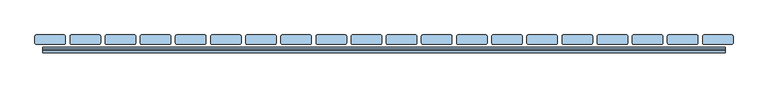
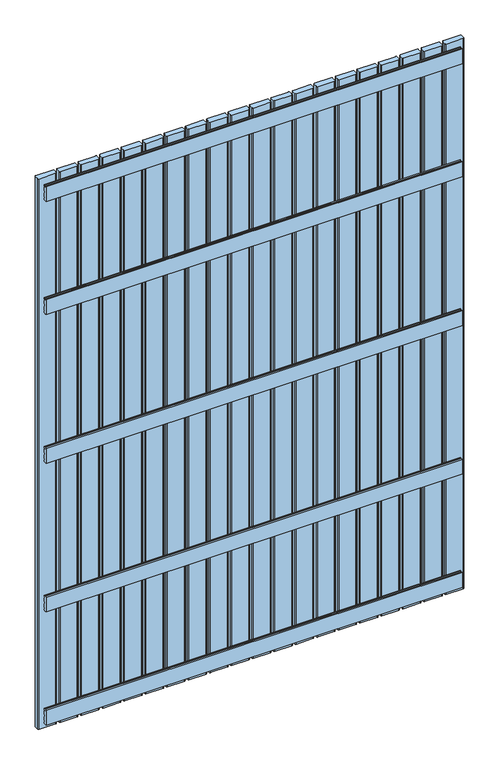
"""IFC4 building model written with IfcOpenShell, lengths in millimetres: window geometry."""

import ifcopenshell
import ifcopenshell.guid

model = None  # the IFC model being written
_history = None  # IfcOwnerHistory: only IFC2X3 demands one
_inside = {}  # id of a spatial element -> (the spatial element, [elements in it])
_under = {}  # id of a project, library or spatial element -> (it, [spatial elements below it])
_declared = {}  # id of a project -> (the project, [libraries it declares])
_typed = {}  # id of a type object -> (the type object, [elements of that type])
_made_of = {}  # id of a material, layer set ... -> (it, [elements and type objects made of it])


def new_model(schema):
    """Start an empty IFC model of exactly this schema.

    Asked for "IFC4X3", IfcOpenShell would pick the latest addendum, in which some entities
    have other attributes; the version numbers below select the first issue.
    IFC2X3 requires an IfcOwnerHistory on every rooted entity: one is made here for all.
    """
    global model, _history
    if schema == "IFC4X3":
        model = ifcopenshell.file(schema_version=(4, 3, 0, 0))
    else:
        model = ifcopenshell.file(schema=schema)
    _inside.clear()
    _under.clear()
    _declared.clear()
    _typed.clear()
    _made_of.clear()
    _history = None
    if model.schema == "IFC2X3":
        org = make("IfcOrganization", Name="unknown")
        user = make(
            "IfcPersonAndOrganization",
            ThePerson=make("IfcPerson", FamilyName="unknown"),
            TheOrganization=org,
        )
        app = make(
            "IfcApplication",
            ApplicationDeveloper=org,
            Version="unknown",
            ApplicationFullName="unknown",
            ApplicationIdentifier="unknown",
        )
        _history = make(
            "IfcOwnerHistory",
            OwningUser=user,
            OwningApplication=app,
            ChangeAction="ADDED",
            CreationDate=0,
        )
    return model


def make(cls, **values):
    """One entity of the class cls with the attributes given. An attribute that is None is left unset."""
    return model.create_entity(
        cls, **{name: value for name, value in values.items() if value is not None}
    )


def rooted(cls, **values):
    """An entity with a GlobalId (a new one), such as an element, a storey or a relation."""
    return make(cls, GlobalId=ifcopenshell.guid.new(), OwnerHistory=_history, **values)


def si_unit(unit_type, name, prefix=None):
    """IfcSIUnit, for example si_unit("LENGTHUNIT", "METRE", prefix="MILLI")."""
    return make("IfcSIUnit", UnitType=unit_type, Prefix=prefix, Name=name)


def assignment(units):
    """IfcUnitAssignment: the units of a project."""
    return None if units is None else make("IfcUnitAssignment", Units=units)


def point(xyz):
    """IfcCartesianPoint."""
    return None if xyz is None else make("IfcCartesianPoint", Coordinates=xyz)


def direction(xyz):
    """IfcDirection."""
    return None if xyz is None else make("IfcDirection", DirectionRatios=xyz)


def frame(location, z_axis=None, x_axis=None):
    """IfcAxis2Placement3D, a coordinate frame: its origin and axes. An axis left out is left unset."""
    return make(
        "IfcAxis2Placement3D",
        Location=point(location),
        Axis=direction(z_axis),
        RefDirection=direction(x_axis),
    )


def frame_2d(location, x_axis=None):
    """IfcAxis2Placement2D, a coordinate frame in the plane: its origin and x axis."""
    return make(
        "IfcAxis2Placement2D", Location=point(location), RefDirection=direction(x_axis)
    )


def origin():
    """The frame at (0, 0, 0) with its axes left unset."""
    return frame((0.0, 0.0, 0.0))


def place(relative_to, where):
    """IfcLocalPlacement: puts the frame where relative to a parent placement (None: the world)."""
    return make(
        "IfcLocalPlacement", PlacementRelTo=relative_to, RelativePlacement=where
    )


def context(
    kind, dimensions, precision=None, world=None, true_north=None, identifier=None
):
    """IfcGeometricRepresentationContext, for example the 3D "Model" context."""
    return make(
        "IfcGeometricRepresentationContext",
        ContextIdentifier=identifier,
        ContextType=kind,
        CoordinateSpaceDimension=dimensions,
        Precision=precision,
        WorldCoordinateSystem=world,
        TrueNorth=true_north,
    )


def project(units=None, contexts=None):
    """IfcProject with its units and contexts."""
    return rooted(
        "IfcProject",
        Name="project",
        RepresentationContexts=contexts,
        UnitsInContext=assignment(units),
    )


def spatial(cls, under=None, at=None, **own):
    """A site, building, storey or space (cls), placed at a placement, below another one or the project."""
    s = rooted(cls, ObjectPlacement=at, **own)
    if under is not None:
        _under.setdefault(under.id(), (under, []))[1].append(s)
    return s


def polyline(points):
    """IfcPolyline through the points."""
    return make("IfcPolyline", Points=[point(p) for p in points])


def circle_curve(where, radius):
    """IfcCircle in the frame where."""
    return make("IfcCircle", Position=where, Radius=radius)


def trimmed(basis, trim1, trim2, sense, master):
    """IfcTrimmedCurve: the piece of a basis curve between two trims."""
    return make(
        "IfcTrimmedCurve",
        BasisCurve=basis,
        Trim1=trim1,
        Trim2=trim2,
        SenseAgreement=sense,
        MasterRepresentation=master,
    )


def segment(curve, same_sense, transition):
    """IfcCompositeCurveSegment."""
    return make(
        "IfcCompositeCurveSegment",
        Transition=transition,
        SameSense=same_sense,
        ParentCurve=curve,
    )


def composite_curve(segments, self_intersect=None):
    """IfcCompositeCurve: segments joined end to end."""
    return make("IfcCompositeCurve", Segments=segments, SelfIntersect=self_intersect)


def outline(outer, holes=None, kind="AREA"):
    """IfcArbitraryClosedProfileDef: a profile drawn as a closed curve; with holes, ...WithVoids."""
    if holes is None:
        return make("IfcArbitraryClosedProfileDef", ProfileType=kind, OuterCurve=outer)
    return make(
        "IfcArbitraryProfileDefWithVoids",
        ProfileType=kind,
        OuterCurve=outer,
        InnerCurves=holes,
    )


def extrude(swept, where, along, depth):
    """IfcExtrudedAreaSolid: the profile swept, set in the frame where, extruded along a direction by depth."""
    return make(
        "IfcExtrudedAreaSolid",
        SweptArea=swept,
        Position=where,
        ExtrudedDirection=direction(along),
        Depth=depth,
    )


def shape(context_of_items, identifier, shape_type, items):
    """IfcShapeRepresentation: the items that make up one representation, for example the "Body"."""
    return make(
        "IfcShapeRepresentation",
        ContextOfItems=context_of_items,
        RepresentationIdentifier=identifier,
        RepresentationType=shape_type,
        Items=items,
    )


def source(mapping_origin, context_of_items, identifier, shape_type, items):
    """IfcRepresentationMap: a shape defined once, which mapped items show again and again."""
    return make(
        "IfcRepresentationMap",
        MappingOrigin=mapping_origin,
        MappedRepresentation=shape(context_of_items, identifier, shape_type, items),
    )


def transform(
    local_origin,
    x_axis=None,
    y_axis=None,
    z_axis=None,
    scale=None,
    scale2=None,
    scale3=None,
    uniform=True,
):
    """IfcCartesianTransformationOperator3D, or its non-uniform kind. x_axis, y_axis, z_axis: its Axis1, 2, 3."""
    if uniform:
        return make(
            "IfcCartesianTransformationOperator3D",
            Axis1=direction(x_axis),
            Axis2=direction(y_axis),
            LocalOrigin=point(local_origin),
            Scale=scale,
            Axis3=direction(z_axis),
        )
    return make(
        "IfcCartesianTransformationOperator3DnonUniform",
        Axis1=direction(x_axis),
        Axis2=direction(y_axis),
        LocalOrigin=point(local_origin),
        Scale=scale,
        Axis3=direction(z_axis),
        Scale2=scale2,
        Scale3=scale3,
    )


def mapped(mapping_source, mapping_target):
    """IfcMappedItem: shows the shape of a source again, moved by a transform."""
    return make(
        "IfcMappedItem", MappingSource=mapping_source, MappingTarget=mapping_target
    )


def made_of(thing, what):
    """Note that an element or type object is made of a material, layer set ...; save() writes the relation."""
    if what is not None:
        _made_of.setdefault(what.id(), (what, []))[1].append(thing)
    return thing


def element(
    cls,
    number,
    at=None,
    inside=None,
    cuts=None,
    type_object=None,
    material=None,
    context=None,
    identifier="Body",
    shape_type=None,
    held_by="IfcProductDefinitionShape",
    body=None,
    shapes=None,
    **own,
):
    """One element of the class cls, such as IfcWall. Its Tag is "e" and its number.

    at: its placement. inside: the storey or other place that contains it. cuts: it is an
    opening in that element (IfcRelVoidsElement). A single representation is given by context,
    identifier, shape_type and body (its items); several are given by shapes. held_by: the class
    of the entity that holds the representations. save() writes the other relations.
    """
    e = rooted(cls, Tag="e%d" % number, ObjectPlacement=at, **own)
    if body is not None:
        shapes = [shape(context, identifier, shape_type, body)]
    if shapes is not None:
        e.Representation = make(held_by, Representations=shapes)
    if inside is not None:
        _inside.setdefault(inside.id(), (inside, []))[1].append(e)
    if cuts is not None:
        rooted(
            "IfcRelVoidsElement", RelatingBuildingElement=cuts, RelatedOpeningElement=e
        )
    if type_object is not None:
        _typed.setdefault(type_object.id(), (type_object, []))[1].append(e)
    return made_of(e, material)


def aggregate(whole, parts):
    """IfcRelAggregates: a whole, such as a stair, and the parts it consists of."""
    return rooted("IfcRelAggregates", RelatingObject=whole, RelatedObjects=parts)


def save(model, path):
    """Write the relations noted so far, then the file.

    IfcRelAggregates (storeys below a building ...), IfcRelContainedInSpatialStructure (elements
    in a storey), IfcRelDefinesByType, IfcRelAssociatesMaterial and IfcRelDeclares: one each for
    every whole, place, type object, material and project.
    """
    for whole, parts in _under.values():
        aggregate(whole, parts)
    for where, things in _inside.values():
        rooted(
            "IfcRelContainedInSpatialStructure",
            RelatedElements=things,
            RelatingStructure=where,
        )
    for kind, things in _typed.values():
        rooted("IfcRelDefinesByType", RelatedObjects=things, RelatingType=kind)
    for what, things in _made_of.values():
        rooted("IfcRelAssociatesMaterial", RelatedObjects=things, RelatingMaterial=what)
    for by, libraries in _declared.values():
        rooted("IfcRelDeclares", RelatingContext=by, RelatedDefinitions=libraries)
    model.write(path)


def window_ece77740(model_context):
    return source(origin(), model_context, "Body", "SweptSolid", [
        extrude(outline(polyline([(100.0, 1695.0063196), (104.0, 1695.0063196), (104.0, 1691.0063196), (108.0, 1691.0063196), (108.0, 1695.0063196), (112.0, 1695.0063196), (112.0, 1690.0063196), (109.0, 1690.0063196), (109.0, 1685.0063196), (112.0, 1685.0063196), (112.0, 1672.5063196), (109.0, 1672.5063196), (109.0, 1662.5063196), (112.0, 1662.5063196), (112.0, 1650.0063196), (109.0, 1650.0063196), (109.0, 1645.0063196), (112.0, 1645.0063196), (112.0, 1640.0063196), (108.0, 1640.0063196), (108.0, 1644.0063196), (104.0, 1644.0063196), (104.0, 1640.0063196), (100.0, 1640.0063196), (100.0, 1695.0063196)])), frame((-728.0, 0.0, 0.0), z_axis=(1.0, 0.0, 0.0), x_axis=(0.0, 1.0, 0.0)), (0.0, 0.0, 1.0), 1456.0),
        extrude(outline(polyline([(100.0, 1145.0063196), (104.0, 1145.0063196), (104.0, 1141.0063196), (108.0, 1141.0063196), (108.0, 1145.0063196), (112.0, 1145.0063196), (112.0, 1140.0063196), (109.0, 1140.0063196), (109.0, 1135.0063196), (112.0, 1135.0063196), (112.0, 1122.5063196), (109.0, 1122.5063196), (109.0, 1112.5063196), (112.0, 1112.5063196), (112.0, 1100.0063196), (109.0, 1100.0063196), (109.0, 1095.0063196), (112.0, 1095.0063196), (112.0, 1090.0063196), (108.0, 1090.0063196), (108.0, 1094.0063196), (104.0, 1094.0063196), (104.0, 1090.0063196), (100.0, 1090.0063196), (100.0, 1145.0063196)])), frame((-728.0, 0.0, 0.0), z_axis=(1.0, 0.0, 0.0), x_axis=(0.0, 1.0, 0.0)), (0.0, 0.0, 1.0), 1456.0),
        extrude(outline(polyline([(100.0, 595.0063196), (104.0, 595.0063196), (104.0, 591.0063196), (108.0, 591.0063196), (108.0, 595.0063196), (112.0, 595.0063196), (112.0, 590.0063196), (109.0, 590.0063196), (109.0, 585.0063196), (112.0, 585.0063196), (112.0, 572.5063196), (109.0, 572.5063196), (109.0, 562.5063196), (112.0, 562.5063196), (112.0, 550.0063196), (109.0, 550.0063196), (109.0, 545.0063196), (112.0, 545.0063196), (112.0, 540.0063196), (108.0, 540.0063196), (108.0, 544.0063196), (104.0, 544.0063196), (104.0, 540.0063196), (100.0, 540.0063196), (100.0, 595.0063196)])), frame((-728.0, 0.0, 0.0), z_axis=(1.0, 0.0, 0.0), x_axis=(0.0, 1.0, 0.0)), (0.0, 0.0, 1.0), 1456.0),
        extrude(outline(polyline([(100.0, 2113.0), (104.0, 2113.0), (104.0, 2109.0), (108.0, 2109.0), (108.0, 2113.0), (112.0, 2113.0), (112.0, 2108.0), (109.0, 2108.0), (109.0, 2103.0), (112.0, 2103.0), (112.0, 2090.5), (109.0, 2090.5), (109.0, 2080.5), (112.0, 2080.5), (112.0, 2068.0), (109.0, 2068.0), (109.0, 2063.0), (112.0, 2063.0), (112.0, 2058.0), (108.0, 2058.0), (108.0, 2062.0), (104.0, 2062.0), (104.0, 2058.0), (100.0, 2058.0), (100.0, 2113.0)])), frame((-728.0, 0.0, 0.0), z_axis=(1.0, 0.0, 0.0), x_axis=(0.0, 1.0, 0.0)), (0.0, 0.0, 1.0), 1456.0),
        extrude(outline(polyline([(100.0, 177.0), (104.0, 177.0), (104.0, 173.0), (108.0, 173.0), (108.0, 177.0), (112.0, 177.0), (112.0, 172.0), (109.0, 172.0), (109.0, 167.0), (112.0, 167.0), (112.0, 154.5), (109.0, 154.5), (109.0, 144.5), (112.0, 144.5), (112.0, 132.0), (109.0, 132.0), (109.0, 127.0), (112.0, 127.0), (112.0, 122.0), (108.0, 122.0), (108.0, 126.0), (104.0, 126.0), (104.0, 122.0), (100.0, 122.0), (100.0, 177.0)])), frame((-728.0, 0.0, 0.0), z_axis=(1.0, 0.0, 0.0), x_axis=(0.0, 1.0, 0.0)), (0.0, 0.0, 1.0), 1456.0),
        extrude(outline(composite_curve([segment(polyline([(744.995806, 135.0), (744.995806, 121.0)]), True, "CONTINUOUS"), segment(trimmed(circle_curve(frame_2d((741.995806, 121.0)), 3.0), [point((744.995806, 121.0))], [point((741.995806, 118.0))], False, "CARTESIAN"), True, "CONTINUOUS"), segment(polyline([(741.995806, 118.0), (683.004194, 118.0)]), True, "CONTINUOUS"), segment(trimmed(circle_curve(frame_2d((683.004194, 121.0)), 3.0), [point((683.004194, 118.0))], [point((680.004194, 121.0))], False, "CARTESIAN"), True, "CONTINUOUS"), segment(polyline([(680.004194, 121.0), (680.004194, 135.0)]), True, "CONTINUOUS"), segment(trimmed(circle_curve(frame_2d((683.004194, 135.0)), 3.0), [point((680.004194, 135.0))], [point((683.004194, 138.0))], False, "CARTESIAN"), True, "CONTINUOUS"), segment(polyline([(683.004194, 138.0), (741.995806, 138.0)]), True, "CONTINUOUS"), segment(trimmed(circle_curve(frame_2d((741.995806, 135.0)), 3.0), [point((741.995806, 138.0))], [point((744.995806, 135.0))], False, "CARTESIAN"), True, "CONTINUOUS")], self_intersect=False)), frame((0.0, 0.0, 100.0), z_axis=(0.0, 0.0, 1.0), x_axis=(1.0, 0.0, 0.0)), (0.0, 0.0, 1.0), 2035.0),
        extrude(outline(composite_curve([segment(polyline([(669.995806, 135.0), (669.995806, 121.0)]), True, "CONTINUOUS"), segment(trimmed(circle_curve(frame_2d((666.995806, 121.0)), 3.0), [point((669.995806, 121.0))], [point((666.995806, 118.0))], False, "CARTESIAN"), True, "CONTINUOUS"), segment(polyline([(666.995806, 118.0), (608.004194, 118.0)]), True, "CONTINUOUS"), segment(trimmed(circle_curve(frame_2d((608.004194, 121.0)), 3.0), [point((608.004194, 118.0))], [point((605.004194, 121.0))], False, "CARTESIAN"), True, "CONTINUOUS"), segment(polyline([(605.004194, 121.0), (605.004194, 135.0)]), True, "CONTINUOUS"), segment(trimmed(circle_curve(frame_2d((608.004194, 135.0)), 3.0), [point((605.004194, 135.0))], [point((608.004194, 138.0))], False, "CARTESIAN"), True, "CONTINUOUS"), segment(polyline([(608.004194, 138.0), (666.995806, 138.0)]), True, "CONTINUOUS"), segment(trimmed(circle_curve(frame_2d((666.995806, 135.0)), 3.0), [point((666.995806, 138.0))], [point((669.995806, 135.0))], False, "CARTESIAN"), True, "CONTINUOUS")], self_intersect=False)), frame((0.0, 0.0, 100.0), z_axis=(0.0, 0.0, 1.0), x_axis=(1.0, 0.0, 0.0)), (0.0, 0.0, 1.0), 2035.0),
        extrude(outline(composite_curve([segment(polyline([(594.995806, 135.0), (594.995806, 121.0)]), True, "CONTINUOUS"), segment(trimmed(circle_curve(frame_2d((591.995806, 121.0)), 3.0), [point((594.995806, 121.0))], [point((591.995806, 118.0))], False, "CARTESIAN"), True, "CONTINUOUS"), segment(polyline([(591.995806, 118.0), (533.004194, 118.0)]), True, "CONTINUOUS"), segment(trimmed(circle_curve(frame_2d((533.004194, 121.0)), 3.0), [point((533.004194, 118.0))], [point((530.004194, 121.0))], False, "CARTESIAN"), True, "CONTINUOUS"), segment(polyline([(530.004194, 121.0), (530.004194, 135.0)]), True, "CONTINUOUS"), segment(trimmed(circle_curve(frame_2d((533.004194, 135.0)), 3.0), [point((530.004194, 135.0))], [point((533.004194, 138.0))], False, "CARTESIAN"), True, "CONTINUOUS"), segment(polyline([(533.004194, 138.0), (591.995806, 138.0)]), True, "CONTINUOUS"), segment(trimmed(circle_curve(frame_2d((591.995806, 135.0)), 3.0), [point((591.995806, 138.0))], [point((594.995806, 135.0))], False, "CARTESIAN"), True, "CONTINUOUS")], self_intersect=False)), frame((0.0, 0.0, 100.0), z_axis=(0.0, 0.0, 1.0), x_axis=(1.0, 0.0, 0.0)), (0.0, 0.0, 1.0), 2035.0),
        extrude(outline(composite_curve([segment(polyline([(519.995806, 135.0), (519.995806, 121.0)]), True, "CONTINUOUS"), segment(trimmed(circle_curve(frame_2d((516.995806, 121.0)), 3.0), [point((519.995806, 121.0))], [point((516.995806, 118.0))], False, "CARTESIAN"), True, "CONTINUOUS"), segment(polyline([(516.995806, 118.0), (458.004194, 118.0)]), True, "CONTINUOUS"), segment(trimmed(circle_curve(frame_2d((458.004194, 121.0)), 3.0), [point((458.004194, 118.0))], [point((455.004194, 121.0))], False, "CARTESIAN"), True, "CONTINUOUS"), segment(polyline([(455.004194, 121.0), (455.004194, 135.0)]), True, "CONTINUOUS"), segment(trimmed(circle_curve(frame_2d((458.004194, 135.0)), 3.0), [point((455.004194, 135.0))], [point((458.004194, 138.0))], False, "CARTESIAN"), True, "CONTINUOUS"), segment(polyline([(458.004194, 138.0), (516.995806, 138.0)]), True, "CONTINUOUS"), segment(trimmed(circle_curve(frame_2d((516.995806, 135.0)), 3.0), [point((516.995806, 138.0))], [point((519.995806, 135.0))], False, "CARTESIAN"), True, "CONTINUOUS")], self_intersect=False)), frame((0.0, 0.0, 100.0), z_axis=(0.0, 0.0, 1.0), x_axis=(1.0, 0.0, 0.0)), (0.0, 0.0, 1.0), 2035.0),
        extrude(outline(composite_curve([segment(polyline([(444.995806, 135.0), (444.995806, 121.0)]), True, "CONTINUOUS"), segment(trimmed(circle_curve(frame_2d((441.995806, 121.0)), 3.0), [point((444.995806, 121.0))], [point((441.995806, 118.0))], False, "CARTESIAN"), True, "CONTINUOUS"), segment(polyline([(441.995806, 118.0), (383.004194, 118.0)]), True, "CONTINUOUS"), segment(trimmed(circle_curve(frame_2d((383.004194, 121.0)), 3.0), [point((383.004194, 118.0))], [point((380.004194, 121.0))], False, "CARTESIAN"), True, "CONTINUOUS"), segment(polyline([(380.004194, 121.0), (380.004194, 135.0)]), True, "CONTINUOUS"), segment(trimmed(circle_curve(frame_2d((383.004194, 135.0)), 3.0), [point((380.004194, 135.0))], [point((383.004194, 138.0))], False, "CARTESIAN"), True, "CONTINUOUS"), segment(polyline([(383.004194, 138.0), (441.995806, 138.0)]), True, "CONTINUOUS"), segment(trimmed(circle_curve(frame_2d((441.995806, 135.0)), 3.0), [point((441.995806, 138.0))], [point((444.995806, 135.0))], False, "CARTESIAN"), True, "CONTINUOUS")], self_intersect=False)), frame((0.0, 0.0, 100.0), z_axis=(0.0, 0.0, 1.0), x_axis=(1.0, 0.0, 0.0)), (0.0, 0.0, 1.0), 2035.0),
        extrude(outline(composite_curve([segment(polyline([(369.995806, 135.0), (369.995806, 121.0)]), True, "CONTINUOUS"), segment(trimmed(circle_curve(frame_2d((366.995806, 121.0)), 3.0), [point((369.995806, 121.0))], [point((366.995806, 118.0))], False, "CARTESIAN"), True, "CONTINUOUS"), segment(polyline([(366.995806, 118.0), (308.004194, 118.0)]), True, "CONTINUOUS"), segment(trimmed(circle_curve(frame_2d((308.004194, 121.0)), 3.0), [point((308.004194, 118.0))], [point((305.004194, 121.0))], False, "CARTESIAN"), True, "CONTINUOUS"), segment(polyline([(305.004194, 121.0), (305.004194, 135.0)]), True, "CONTINUOUS"), segment(trimmed(circle_curve(frame_2d((308.004194, 135.0)), 3.0), [point((305.004194, 135.0))], [point((308.004194, 138.0))], False, "CARTESIAN"), True, "CONTINUOUS"), segment(polyline([(308.004194, 138.0), (366.995806, 138.0)]), True, "CONTINUOUS"), segment(trimmed(circle_curve(frame_2d((366.995806, 135.0)), 3.0), [point((366.995806, 138.0))], [point((369.995806, 135.0))], False, "CARTESIAN"), True, "CONTINUOUS")], self_intersect=False)), frame((0.0, 0.0, 100.0), z_axis=(0.0, 0.0, 1.0), x_axis=(1.0, 0.0, 0.0)), (0.0, 0.0, 1.0), 2035.0),
        extrude(outline(composite_curve([segment(polyline([(294.995806, 135.0), (294.995806, 121.0)]), True, "CONTINUOUS"), segment(trimmed(circle_curve(frame_2d((291.995806, 121.0)), 3.0), [point((294.995806, 121.0))], [point((291.995806, 118.0))], False, "CARTESIAN"), True, "CONTINUOUS"), segment(polyline([(291.995806, 118.0), (233.004194, 118.0)]), True, "CONTINUOUS"), segment(trimmed(circle_curve(frame_2d((233.004194, 121.0)), 3.0), [point((233.004194, 118.0))], [point((230.004194, 121.0))], False, "CARTESIAN"), True, "CONTINUOUS"), segment(polyline([(230.004194, 121.0), (230.004194, 135.0)]), True, "CONTINUOUS"), segment(trimmed(circle_curve(frame_2d((233.004194, 135.0)), 3.0), [point((230.004194, 135.0))], [point((233.004194, 138.0))], False, "CARTESIAN"), True, "CONTINUOUS"), segment(polyline([(233.004194, 138.0), (291.995806, 138.0)]), True, "CONTINUOUS"), segment(trimmed(circle_curve(frame_2d((291.995806, 135.0)), 3.0), [point((291.995806, 138.0))], [point((294.995806, 135.0))], False, "CARTESIAN"), True, "CONTINUOUS")], self_intersect=False)), frame((0.0, 0.0, 100.0), z_axis=(0.0, 0.0, 1.0), x_axis=(1.0, 0.0, 0.0)), (0.0, 0.0, 1.0), 2035.0),
        extrude(outline(composite_curve([segment(polyline([(219.995806, 135.0), (219.995806, 121.0)]), True, "CONTINUOUS"), segment(trimmed(circle_curve(frame_2d((216.995806, 121.0)), 3.0), [point((219.995806, 121.0))], [point((216.995806, 118.0))], False, "CARTESIAN"), True, "CONTINUOUS"), segment(polyline([(216.995806, 118.0), (158.004194, 118.0)]), True, "CONTINUOUS"), segment(trimmed(circle_curve(frame_2d((158.004194, 121.0)), 3.0), [point((158.004194, 118.0))], [point((155.004194, 121.0))], False, "CARTESIAN"), True, "CONTINUOUS"), segment(polyline([(155.004194, 121.0), (155.004194, 135.0)]), True, "CONTINUOUS"), segment(trimmed(circle_curve(frame_2d((158.004194, 135.0)), 3.0), [point((155.004194, 135.0))], [point((158.004194, 138.0))], False, "CARTESIAN"), True, "CONTINUOUS"), segment(polyline([(158.004194, 138.0), (216.995806, 138.0)]), True, "CONTINUOUS"), segment(trimmed(circle_curve(frame_2d((216.995806, 135.0)), 3.0), [point((216.995806, 138.0))], [point((219.995806, 135.0))], False, "CARTESIAN"), True, "CONTINUOUS")], self_intersect=False)), frame((0.0, 0.0, 100.0), z_axis=(0.0, 0.0, 1.0), x_axis=(1.0, 0.0, 0.0)), (0.0, 0.0, 1.0), 2035.0),
        extrude(outline(composite_curve([segment(polyline([(144.995806, 135.0), (144.995806, 121.0)]), True, "CONTINUOUS"), segment(trimmed(circle_curve(frame_2d((141.995806, 121.0)), 3.0), [point((144.995806, 121.0))], [point((141.995806, 118.0))], False, "CARTESIAN"), True, "CONTINUOUS"), segment(polyline([(141.995806, 118.0), (83.004194, 118.0)]), True, "CONTINUOUS"), segment(trimmed(circle_curve(frame_2d((83.004194, 121.0)), 3.0), [point((83.004194, 118.0))], [point((80.004194, 121.0))], False, "CARTESIAN"), True, "CONTINUOUS"), segment(polyline([(80.004194, 121.0), (80.004194, 135.0)]), True, "CONTINUOUS"), segment(trimmed(circle_curve(frame_2d((83.004194, 135.0)), 3.0), [point((80.004194, 135.0))], [point((83.004194, 138.0))], False, "CARTESIAN"), True, "CONTINUOUS"), segment(polyline([(83.004194, 138.0), (141.995806, 138.0)]), True, "CONTINUOUS"), segment(trimmed(circle_curve(frame_2d((141.995806, 135.0)), 3.0), [point((141.995806, 138.0))], [point((144.995806, 135.0))], False, "CARTESIAN"), True, "CONTINUOUS")], self_intersect=False)), frame((0.0, 0.0, 100.0), z_axis=(0.0, 0.0, 1.0), x_axis=(1.0, 0.0, 0.0)), (0.0, 0.0, 1.0), 2035.0),
        extrude(outline(composite_curve([segment(polyline([(69.995806, 135.0), (69.995806, 121.0)]), True, "CONTINUOUS"), segment(trimmed(circle_curve(frame_2d((66.995806, 121.0)), 3.0), [point((69.995806, 121.0))], [point((66.995806, 118.0))], False, "CARTESIAN"), True, "CONTINUOUS"), segment(polyline([(66.995806, 118.0), (8.004194, 118.0)]), True, "CONTINUOUS"), segment(trimmed(circle_curve(frame_2d((8.004194, 121.0)), 3.0), [point((8.004194, 118.0))], [point((5.004194, 121.0))], False, "CARTESIAN"), True, "CONTINUOUS"), segment(polyline([(5.004194, 121.0), (5.004194, 135.0)]), True, "CONTINUOUS"), segment(trimmed(circle_curve(frame_2d((8.004194, 135.0)), 3.0), [point((5.004194, 135.0))], [point((8.004194, 138.0))], False, "CARTESIAN"), True, "CONTINUOUS"), segment(polyline([(8.004194, 138.0), (66.995806, 138.0)]), True, "CONTINUOUS"), segment(trimmed(circle_curve(frame_2d((66.995806, 135.0)), 3.0), [point((66.995806, 138.0))], [point((69.995806, 135.0))], False, "CARTESIAN"), True, "CONTINUOUS")], self_intersect=False)), frame((0.0, 0.0, 100.0), z_axis=(0.0, 0.0, 1.0), x_axis=(1.0, 0.0, 0.0)), (0.0, 0.0, 1.0), 2035.0),
        extrude(outline(composite_curve([segment(polyline([(-5.004194, 135.0), (-5.004194, 121.0)]), True, "CONTINUOUS"), segment(trimmed(circle_curve(frame_2d((-8.004194, 121.0)), 3.0), [point((-5.004194, 121.0))], [point((-8.004194, 118.0))], False, "CARTESIAN"), True, "CONTINUOUS"), segment(polyline([(-8.004194, 118.0), (-66.995806, 118.0)]), True, "CONTINUOUS"), segment(trimmed(circle_curve(frame_2d((-66.995806, 121.0)), 3.0), [point((-66.995806, 118.0))], [point((-69.995806, 121.0))], False, "CARTESIAN"), True, "CONTINUOUS"), segment(polyline([(-69.995806, 121.0), (-69.995806, 135.0)]), True, "CONTINUOUS"), segment(trimmed(circle_curve(frame_2d((-66.995806, 135.0)), 3.0), [point((-69.995806, 135.0))], [point((-66.995806, 138.0))], False, "CARTESIAN"), True, "CONTINUOUS"), segment(polyline([(-66.995806, 138.0), (-8.004194, 138.0)]), True, "CONTINUOUS"), segment(trimmed(circle_curve(frame_2d((-8.004194, 135.0)), 3.0), [point((-8.004194, 138.0))], [point((-5.004194, 135.0))], False, "CARTESIAN"), True, "CONTINUOUS")], self_intersect=False)), frame((0.0, 0.0, 100.0), z_axis=(0.0, 0.0, 1.0), x_axis=(1.0, 0.0, 0.0)), (0.0, 0.0, 1.0), 2035.0),
        extrude(outline(composite_curve([segment(polyline([(-80.004194, 135.0), (-80.004194, 121.0)]), True, "CONTINUOUS"), segment(trimmed(circle_curve(frame_2d((-83.004194, 121.0)), 3.0), [point((-80.004194, 121.0))], [point((-83.004194, 118.0))], False, "CARTESIAN"), True, "CONTINUOUS"), segment(polyline([(-83.004194, 118.0), (-141.995806, 118.0)]), True, "CONTINUOUS"), segment(trimmed(circle_curve(frame_2d((-141.995806, 121.0)), 3.0), [point((-141.995806, 118.0))], [point((-144.995806, 121.0))], False, "CARTESIAN"), True, "CONTINUOUS"), segment(polyline([(-144.995806, 121.0), (-144.995806, 135.0)]), True, "CONTINUOUS"), segment(trimmed(circle_curve(frame_2d((-141.995806, 135.0)), 3.0), [point((-144.995806, 135.0))], [point((-141.995806, 138.0))], False, "CARTESIAN"), True, "CONTINUOUS"), segment(polyline([(-141.995806, 138.0), (-83.004194, 138.0)]), True, "CONTINUOUS"), segment(trimmed(circle_curve(frame_2d((-83.004194, 135.0)), 3.0), [point((-83.004194, 138.0))], [point((-80.004194, 135.0))], False, "CARTESIAN"), True, "CONTINUOUS")], self_intersect=False)), frame((0.0, 0.0, 100.0), z_axis=(0.0, 0.0, 1.0), x_axis=(1.0, 0.0, 0.0)), (0.0, 0.0, 1.0), 2035.0),
        extrude(outline(composite_curve([segment(polyline([(-155.004194, 135.0), (-155.004194, 121.0)]), True, "CONTINUOUS"), segment(trimmed(circle_curve(frame_2d((-158.004194, 121.0)), 3.0), [point((-155.004194, 121.0))], [point((-158.004194, 118.0))], False, "CARTESIAN"), True, "CONTINUOUS"), segment(polyline([(-158.004194, 118.0), (-216.995806, 118.0)]), True, "CONTINUOUS"), segment(trimmed(circle_curve(frame_2d((-216.995806, 121.0)), 3.0), [point((-216.995806, 118.0))], [point((-219.995806, 121.0))], False, "CARTESIAN"), True, "CONTINUOUS"), segment(polyline([(-219.995806, 121.0), (-219.995806, 135.0)]), True, "CONTINUOUS"), segment(trimmed(circle_curve(frame_2d((-216.995806, 135.0)), 3.0), [point((-219.995806, 135.0))], [point((-216.995806, 138.0))], False, "CARTESIAN"), True, "CONTINUOUS"), segment(polyline([(-216.995806, 138.0), (-158.004194, 138.0)]), True, "CONTINUOUS"), segment(trimmed(circle_curve(frame_2d((-158.004194, 135.0)), 3.0), [point((-158.004194, 138.0))], [point((-155.004194, 135.0))], False, "CARTESIAN"), True, "CONTINUOUS")], self_intersect=False)), frame((0.0, 0.0, 100.0), z_axis=(0.0, 0.0, 1.0), x_axis=(1.0, 0.0, 0.0)), (0.0, 0.0, 1.0), 2035.0),
        extrude(outline(composite_curve([segment(polyline([(-230.004194, 135.0), (-230.004194, 121.0)]), True, "CONTINUOUS"), segment(trimmed(circle_curve(frame_2d((-233.004194, 121.0)), 3.0), [point((-230.004194, 121.0))], [point((-233.004194, 118.0))], False, "CARTESIAN"), True, "CONTINUOUS"), segment(polyline([(-233.004194, 118.0), (-291.995806, 118.0)]), True, "CONTINUOUS"), segment(trimmed(circle_curve(frame_2d((-291.995806, 121.0)), 3.0), [point((-291.995806, 118.0))], [point((-294.995806, 121.0))], False, "CARTESIAN"), True, "CONTINUOUS"), segment(polyline([(-294.995806, 121.0), (-294.995806, 135.0)]), True, "CONTINUOUS"), segment(trimmed(circle_curve(frame_2d((-291.995806, 135.0)), 3.0), [point((-294.995806, 135.0))], [point((-291.995806, 138.0))], False, "CARTESIAN"), True, "CONTINUOUS"), segment(polyline([(-291.995806, 138.0), (-233.004194, 138.0)]), True, "CONTINUOUS"), segment(trimmed(circle_curve(frame_2d((-233.004194, 135.0)), 3.0), [point((-233.004194, 138.0))], [point((-230.004194, 135.0))], False, "CARTESIAN"), True, "CONTINUOUS")], self_intersect=False)), frame((0.0, 0.0, 100.0), z_axis=(0.0, 0.0, 1.0), x_axis=(1.0, 0.0, 0.0)), (0.0, 0.0, 1.0), 2035.0),
        extrude(outline(composite_curve([segment(polyline([(-305.004194, 135.0), (-305.004194, 121.0)]), True, "CONTINUOUS"), segment(trimmed(circle_curve(frame_2d((-308.004194, 121.0)), 3.0), [point((-305.004194, 121.0))], [point((-308.004194, 118.0))], False, "CARTESIAN"), True, "CONTINUOUS"), segment(polyline([(-308.004194, 118.0), (-366.995806, 118.0)]), True, "CONTINUOUS"), segment(trimmed(circle_curve(frame_2d((-366.995806, 121.0)), 3.0), [point((-366.995806, 118.0))], [point((-369.995806, 121.0))], False, "CARTESIAN"), True, "CONTINUOUS"), segment(polyline([(-369.995806, 121.0), (-369.995806, 135.0)]), True, "CONTINUOUS"), segment(trimmed(circle_curve(frame_2d((-366.995806, 135.0)), 3.0), [point((-369.995806, 135.0))], [point((-366.995806, 138.0))], False, "CARTESIAN"), True, "CONTINUOUS"), segment(polyline([(-366.995806, 138.0), (-308.004194, 138.0)]), True, "CONTINUOUS"), segment(trimmed(circle_curve(frame_2d((-308.004194, 135.0)), 3.0), [point((-308.004194, 138.0))], [point((-305.004194, 135.0))], False, "CARTESIAN"), True, "CONTINUOUS")], self_intersect=False)), frame((0.0, 0.0, 100.0), z_axis=(0.0, 0.0, 1.0), x_axis=(1.0, 0.0, 0.0)), (0.0, 0.0, 1.0), 2035.0),
        extrude(outline(composite_curve([segment(polyline([(-380.004194, 135.0), (-380.004194, 121.0)]), True, "CONTINUOUS"), segment(trimmed(circle_curve(frame_2d((-383.004194, 121.0)), 3.0), [point((-380.004194, 121.0))], [point((-383.004194, 118.0))], False, "CARTESIAN"), True, "CONTINUOUS"), segment(polyline([(-383.004194, 118.0), (-441.995806, 118.0)]), True, "CONTINUOUS"), segment(trimmed(circle_curve(frame_2d((-441.995806, 121.0)), 3.0), [point((-441.995806, 118.0))], [point((-444.995806, 121.0))], False, "CARTESIAN"), True, "CONTINUOUS"), segment(polyline([(-444.995806, 121.0), (-444.995806, 135.0)]), True, "CONTINUOUS"), segment(trimmed(circle_curve(frame_2d((-441.995806, 135.0)), 3.0), [point((-444.995806, 135.0))], [point((-441.995806, 138.0))], False, "CARTESIAN"), True, "CONTINUOUS"), segment(polyline([(-441.995806, 138.0), (-383.004194, 138.0)]), True, "CONTINUOUS"), segment(trimmed(circle_curve(frame_2d((-383.004194, 135.0)), 3.0), [point((-383.004194, 138.0))], [point((-380.004194, 135.0))], False, "CARTESIAN"), True, "CONTINUOUS")], self_intersect=False)), frame((0.0, 0.0, 100.0), z_axis=(0.0, 0.0, 1.0), x_axis=(1.0, 0.0, 0.0)), (0.0, 0.0, 1.0), 2035.0),
        extrude(outline(composite_curve([segment(polyline([(-455.004194, 135.0), (-455.004194, 121.0)]), True, "CONTINUOUS"), segment(trimmed(circle_curve(frame_2d((-458.004194, 121.0)), 3.0), [point((-455.004194, 121.0))], [point((-458.004194, 118.0))], False, "CARTESIAN"), True, "CONTINUOUS"), segment(polyline([(-458.004194, 118.0), (-516.995806, 118.0)]), True, "CONTINUOUS"), segment(trimmed(circle_curve(frame_2d((-516.995806, 121.0)), 3.0), [point((-516.995806, 118.0))], [point((-519.995806, 121.0))], False, "CARTESIAN"), True, "CONTINUOUS"), segment(polyline([(-519.995806, 121.0), (-519.995806, 135.0)]), True, "CONTINUOUS"), segment(trimmed(circle_curve(frame_2d((-516.995806, 135.0)), 3.0), [point((-519.995806, 135.0))], [point((-516.995806, 138.0))], False, "CARTESIAN"), True, "CONTINUOUS"), segment(polyline([(-516.995806, 138.0), (-458.004194, 138.0)]), True, "CONTINUOUS"), segment(trimmed(circle_curve(frame_2d((-458.004194, 135.0)), 3.0), [point((-458.004194, 138.0))], [point((-455.004194, 135.0))], False, "CARTESIAN"), True, "CONTINUOUS")], self_intersect=False)), frame((0.0, 0.0, 100.0), z_axis=(0.0, 0.0, 1.0), x_axis=(1.0, 0.0, 0.0)), (0.0, 0.0, 1.0), 2035.0),
        extrude(outline(composite_curve([segment(polyline([(-530.004194, 135.0), (-530.004194, 121.0)]), True, "CONTINUOUS"), segment(trimmed(circle_curve(frame_2d((-533.004194, 121.0)), 3.0), [point((-530.004194, 121.0))], [point((-533.004194, 118.0))], False, "CARTESIAN"), True, "CONTINUOUS"), segment(polyline([(-533.004194, 118.0), (-591.995806, 118.0)]), True, "CONTINUOUS"), segment(trimmed(circle_curve(frame_2d((-591.995806, 121.0)), 3.0), [point((-591.995806, 118.0))], [point((-594.995806, 121.0))], False, "CARTESIAN"), True, "CONTINUOUS"), segment(polyline([(-594.995806, 121.0), (-594.995806, 135.0)]), True, "CONTINUOUS"), segment(trimmed(circle_curve(frame_2d((-591.995806, 135.0)), 3.0), [point((-594.995806, 135.0))], [point((-591.995806, 138.0))], False, "CARTESIAN"), True, "CONTINUOUS"), segment(polyline([(-591.995806, 138.0), (-533.004194, 138.0)]), True, "CONTINUOUS"), segment(trimmed(circle_curve(frame_2d((-533.004194, 135.0)), 3.0), [point((-533.004194, 138.0))], [point((-530.004194, 135.0))], False, "CARTESIAN"), True, "CONTINUOUS")], self_intersect=False)), frame((0.0, 0.0, 100.0), z_axis=(0.0, 0.0, 1.0), x_axis=(1.0, 0.0, 0.0)), (0.0, 0.0, 1.0), 2035.0),
        extrude(outline(composite_curve([segment(polyline([(-605.004194, 135.0), (-605.004194, 121.0)]), True, "CONTINUOUS"), segment(trimmed(circle_curve(frame_2d((-608.004194, 121.0)), 3.0), [point((-605.004194, 121.0))], [point((-608.004194, 118.0))], False, "CARTESIAN"), True, "CONTINUOUS"), segment(polyline([(-608.004194, 118.0), (-666.995806, 118.0)]), True, "CONTINUOUS"), segment(trimmed(circle_curve(frame_2d((-666.995806, 121.0)), 3.0), [point((-666.995806, 118.0))], [point((-669.995806, 121.0))], False, "CARTESIAN"), True, "CONTINUOUS"), segment(polyline([(-669.995806, 121.0), (-669.995806, 135.0)]), True, "CONTINUOUS"), segment(trimmed(circle_curve(frame_2d((-666.995806, 135.0)), 3.0), [point((-669.995806, 135.0))], [point((-666.995806, 138.0))], False, "CARTESIAN"), True, "CONTINUOUS"), segment(polyline([(-666.995806, 138.0), (-608.004194, 138.0)]), True, "CONTINUOUS"), segment(trimmed(circle_curve(frame_2d((-608.004194, 135.0)), 3.0), [point((-608.004194, 138.0))], [point((-605.004194, 135.0))], False, "CARTESIAN"), True, "CONTINUOUS")], self_intersect=False)), frame((0.0, 0.0, 100.0), z_axis=(0.0, 0.0, 1.0), x_axis=(1.0, 0.0, 0.0)), (0.0, 0.0, 1.0), 2035.0),
        extrude(outline(composite_curve([segment(polyline([(-680.0, 135.0), (-680.0, 121.0)]), True, "CONTINUOUS"), segment(trimmed(circle_curve(frame_2d((-683.0, 121.0)), 3.0), [point((-680.0, 121.0))], [point((-683.0, 118.0))], False, "CARTESIAN"), True, "CONTINUOUS"), segment(polyline([(-683.0, 118.0), (-742.0, 118.0)]), True, "CONTINUOUS"), segment(trimmed(circle_curve(frame_2d((-742.0, 121.0)), 3.0), [point((-742.0, 118.0))], [point((-745.0, 121.0))], False, "CARTESIAN"), True, "CONTINUOUS"), segment(polyline([(-745.0, 121.0), (-745.0, 135.0)]), True, "CONTINUOUS"), segment(trimmed(circle_curve(frame_2d((-742.0, 135.0)), 3.0), [point((-745.0, 135.0))], [point((-742.0, 138.0))], False, "CARTESIAN"), True, "CONTINUOUS"), segment(polyline([(-742.0, 138.0), (-683.0, 138.0)]), True, "CONTINUOUS"), segment(trimmed(circle_curve(frame_2d((-683.0, 135.0)), 3.0), [point((-683.0, 138.0))], [point((-680.0, 135.0))], False, "CARTESIAN"), True, "CONTINUOUS")], self_intersect=False)), frame((0.0, 0.0, 100.0), z_axis=(0.0, 0.0, 1.0), x_axis=(1.0, 0.0, 0.0)), (0.0, 0.0, 1.0), 2035.0),
    ])


if __name__ == "__main__":
    model = new_model("IFC4")
    model_context = context("Model", 3, world=origin())
    ifc_project = project(units=[si_unit("LENGTHUNIT", "METRE", prefix="MILLI")], contexts=[model_context])
    site = spatial("IfcSite", under=ifc_project)
    building = spatial("IfcBuilding", under=site)
    placement = place(None, origin())
    window_shape = window_ece77740(model_context)
    element("IfcWindow", 1, at=placement, inside=building, context=model_context, shape_type="MappedRepresentation", body=[
        mapped(window_shape, transform((0.0, 0.0, 0.0), x_axis=(1.0, 0.0, 0.0), y_axis=(0.0, 1.0, 0.0), z_axis=(0.0, 0.0, 1.0))),
    ])
    save(model, "model.ifc")
